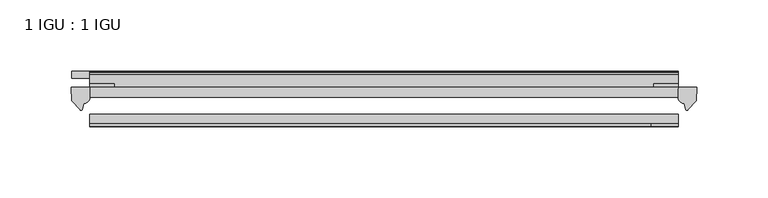
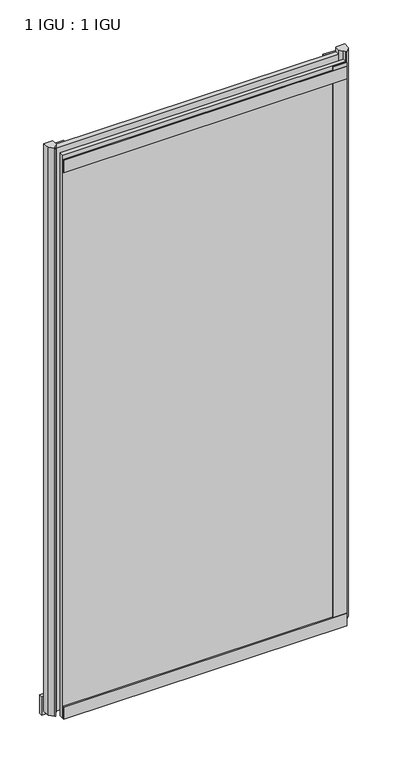
"""IFC4 building model written with IfcOpenShell, lengths in millimetres: plate geometry, 1 IGU : 1 IGU."""

import ifcopenshell
import ifcopenshell.guid

model = None  # the IFC model being written
_history = None  # IfcOwnerHistory: only IFC2X3 demands one
_inside = {}  # id of a spatial element -> (the spatial element, [elements in it])
_under = {}  # id of a project, library or spatial element -> (it, [spatial elements below it])
_declared = {}  # id of a project -> (the project, [libraries it declares])
_typed = {}  # id of a type object -> (the type object, [elements of that type])
_made_of = {}  # id of a material, layer set ... -> (it, [elements and type objects made of it])


def new_model(schema):
    """Start an empty IFC model of exactly this schema.

    Asked for "IFC4X3", IfcOpenShell would pick the latest addendum, in which some entities
    have other attributes; the version numbers below select the first issue.
    IFC2X3 requires an IfcOwnerHistory on every rooted entity: one is made here for all.
    """
    global model, _history
    if schema == "IFC4X3":
        model = ifcopenshell.file(schema_version=(4, 3, 0, 0))
    else:
        model = ifcopenshell.file(schema=schema)
    _inside.clear()
    _under.clear()
    _declared.clear()
    _typed.clear()
    _made_of.clear()
    _history = None
    if model.schema == "IFC2X3":
        org = make("IfcOrganization", Name="unknown")
        user = make(
            "IfcPersonAndOrganization",
            ThePerson=make("IfcPerson", FamilyName="unknown"),
            TheOrganization=org,
        )
        app = make(
            "IfcApplication",
            ApplicationDeveloper=org,
            Version="unknown",
            ApplicationFullName="unknown",
            ApplicationIdentifier="unknown",
        )
        _history = make(
            "IfcOwnerHistory",
            OwningUser=user,
            OwningApplication=app,
            ChangeAction="ADDED",
            CreationDate=0,
        )
    return model


def make(cls, **values):
    """One entity of the class cls with the attributes given. An attribute that is None is left unset."""
    return model.create_entity(
        cls, **{name: value for name, value in values.items() if value is not None}
    )


def rooted(cls, **values):
    """An entity with a GlobalId (a new one), such as an element, a storey or a relation."""
    return make(cls, GlobalId=ifcopenshell.guid.new(), OwnerHistory=_history, **values)


def si_unit(unit_type, name, prefix=None):
    """IfcSIUnit, for example si_unit("LENGTHUNIT", "METRE", prefix="MILLI")."""
    return make("IfcSIUnit", UnitType=unit_type, Prefix=prefix, Name=name)


def assignment(units):
    """IfcUnitAssignment: the units of a project."""
    return None if units is None else make("IfcUnitAssignment", Units=units)


def point(xyz):
    """IfcCartesianPoint."""
    return None if xyz is None else make("IfcCartesianPoint", Coordinates=xyz)


def direction(xyz):
    """IfcDirection."""
    return None if xyz is None else make("IfcDirection", DirectionRatios=xyz)


def frame(location, z_axis=None, x_axis=None):
    """IfcAxis2Placement3D, a coordinate frame: its origin and axes. An axis left out is left unset."""
    return make(
        "IfcAxis2Placement3D",
        Location=point(location),
        Axis=direction(z_axis),
        RefDirection=direction(x_axis),
    )


def frame_2d(location, x_axis=None):
    """IfcAxis2Placement2D, a coordinate frame in the plane: its origin and x axis."""
    return make(
        "IfcAxis2Placement2D", Location=point(location), RefDirection=direction(x_axis)
    )


def origin():
    """The frame at (0, 0, 0) with its axes left unset."""
    return frame((0.0, 0.0, 0.0))


def place(relative_to, where):
    """IfcLocalPlacement: puts the frame where relative to a parent placement (None: the world)."""
    return make(
        "IfcLocalPlacement", PlacementRelTo=relative_to, RelativePlacement=where
    )


def context(
    kind, dimensions, precision=None, world=None, true_north=None, identifier=None
):
    """IfcGeometricRepresentationContext, for example the 3D "Model" context."""
    return make(
        "IfcGeometricRepresentationContext",
        ContextIdentifier=identifier,
        ContextType=kind,
        CoordinateSpaceDimension=dimensions,
        Precision=precision,
        WorldCoordinateSystem=world,
        TrueNorth=true_north,
    )


def project(units=None, contexts=None):
    """IfcProject with its units and contexts."""
    return rooted(
        "IfcProject",
        Name="project",
        RepresentationContexts=contexts,
        UnitsInContext=assignment(units),
    )


def spatial(cls, under=None, at=None, **own):
    """A site, building, storey or space (cls), placed at a placement, below another one or the project."""
    s = rooted(cls, ObjectPlacement=at, **own)
    if under is not None:
        _under.setdefault(under.id(), (under, []))[1].append(s)
    return s


def polyline(points):
    """IfcPolyline through the points."""
    return make("IfcPolyline", Points=[point(p) for p in points])


def circle_curve(where, radius):
    """IfcCircle in the frame where."""
    return make("IfcCircle", Position=where, Radius=radius)


def trimmed(basis, trim1, trim2, sense, master):
    """IfcTrimmedCurve: the piece of a basis curve between two trims."""
    return make(
        "IfcTrimmedCurve",
        BasisCurve=basis,
        Trim1=trim1,
        Trim2=trim2,
        SenseAgreement=sense,
        MasterRepresentation=master,
    )


def segment(curve, same_sense, transition):
    """IfcCompositeCurveSegment."""
    return make(
        "IfcCompositeCurveSegment",
        Transition=transition,
        SameSense=same_sense,
        ParentCurve=curve,
    )


def composite_curve(segments, self_intersect=None):
    """IfcCompositeCurve: segments joined end to end."""
    return make("IfcCompositeCurve", Segments=segments, SelfIntersect=self_intersect)


def outline(outer, holes=None, kind="AREA"):
    """IfcArbitraryClosedProfileDef: a profile drawn as a closed curve; with holes, ...WithVoids."""
    if holes is None:
        return make("IfcArbitraryClosedProfileDef", ProfileType=kind, OuterCurve=outer)
    return make(
        "IfcArbitraryProfileDefWithVoids",
        ProfileType=kind,
        OuterCurve=outer,
        InnerCurves=holes,
    )


def extrude(swept, where, along, depth):
    """IfcExtrudedAreaSolid: the profile swept, set in the frame where, extruded along a direction by depth."""
    return make(
        "IfcExtrudedAreaSolid",
        SweptArea=swept,
        Position=where,
        ExtrudedDirection=direction(along),
        Depth=depth,
    )


def shape(context_of_items, identifier, shape_type, items):
    """IfcShapeRepresentation: the items that make up one representation, for example the "Body"."""
    return make(
        "IfcShapeRepresentation",
        ContextOfItems=context_of_items,
        RepresentationIdentifier=identifier,
        RepresentationType=shape_type,
        Items=items,
    )


def source(mapping_origin, context_of_items, identifier, shape_type, items):
    """IfcRepresentationMap: a shape defined once, which mapped items show again and again."""
    return make(
        "IfcRepresentationMap",
        MappingOrigin=mapping_origin,
        MappedRepresentation=shape(context_of_items, identifier, shape_type, items),
    )


def transform(
    local_origin,
    x_axis=None,
    y_axis=None,
    z_axis=None,
    scale=None,
    scale2=None,
    scale3=None,
    uniform=True,
):
    """IfcCartesianTransformationOperator3D, or its non-uniform kind. x_axis, y_axis, z_axis: its Axis1, 2, 3."""
    if uniform:
        return make(
            "IfcCartesianTransformationOperator3D",
            Axis1=direction(x_axis),
            Axis2=direction(y_axis),
            LocalOrigin=point(local_origin),
            Scale=scale,
            Axis3=direction(z_axis),
        )
    return make(
        "IfcCartesianTransformationOperator3DnonUniform",
        Axis1=direction(x_axis),
        Axis2=direction(y_axis),
        LocalOrigin=point(local_origin),
        Scale=scale,
        Axis3=direction(z_axis),
        Scale2=scale2,
        Scale3=scale3,
    )


def mapped(mapping_source, mapping_target):
    """IfcMappedItem: shows the shape of a source again, moved by a transform."""
    return make(
        "IfcMappedItem", MappingSource=mapping_source, MappingTarget=mapping_target
    )


def made_of(thing, what):
    """Note that an element or type object is made of a material, layer set ...; save() writes the relation."""
    if what is not None:
        _made_of.setdefault(what.id(), (what, []))[1].append(thing)
    return thing


def element(
    cls,
    number,
    at=None,
    inside=None,
    cuts=None,
    type_object=None,
    material=None,
    context=None,
    identifier="Body",
    shape_type=None,
    held_by="IfcProductDefinitionShape",
    body=None,
    shapes=None,
    **own,
):
    """One element of the class cls, such as IfcWall. Its Tag is "e" and its number.

    at: its placement. inside: the storey or other place that contains it. cuts: it is an
    opening in that element (IfcRelVoidsElement). A single representation is given by context,
    identifier, shape_type and body (its items); several are given by shapes. held_by: the class
    of the entity that holds the representations. save() writes the other relations.
    """
    e = rooted(cls, Tag="e%d" % number, ObjectPlacement=at, **own)
    if body is not None:
        shapes = [shape(context, identifier, shape_type, body)]
    if shapes is not None:
        e.Representation = make(held_by, Representations=shapes)
    if inside is not None:
        _inside.setdefault(inside.id(), (inside, []))[1].append(e)
    if cuts is not None:
        rooted(
            "IfcRelVoidsElement", RelatingBuildingElement=cuts, RelatedOpeningElement=e
        )
    if type_object is not None:
        _typed.setdefault(type_object.id(), (type_object, []))[1].append(e)
    return made_of(e, material)


def aggregate(whole, parts):
    """IfcRelAggregates: a whole, such as a stair, and the parts it consists of."""
    return rooted("IfcRelAggregates", RelatingObject=whole, RelatedObjects=parts)


def save(model, path):
    """Write the relations noted so far, then the file.

    IfcRelAggregates (storeys below a building ...), IfcRelContainedInSpatialStructure (elements
    in a storey), IfcRelDefinesByType, IfcRelAssociatesMaterial and IfcRelDeclares: one each for
    every whole, place, type object, material and project.
    """
    for whole, parts in _under.values():
        aggregate(whole, parts)
    for where, things in _inside.values():
        rooted(
            "IfcRelContainedInSpatialStructure",
            RelatedElements=things,
            RelatingStructure=where,
        )
    for kind, things in _typed.values():
        rooted("IfcRelDefinesByType", RelatedObjects=things, RelatingType=kind)
    for what, things in _made_of.values():
        rooted("IfcRelAssociatesMaterial", RelatedObjects=things, RelatingMaterial=what)
    for by, libraries in _declared.values():
        rooted("IfcRelDeclares", RelatingContext=by, RelatedDefinitions=libraries)
    model.write(path)


def plate_1_igu_1_igu_e34cd5f6(model_context):
    return source(origin(), model_context, "Body", "SweptSolid", [
        extrude(outline(polyline([(307.959125, -11.6085937), (307.959125, -18.8576359), (-105.7513125, -18.8576359), (-105.7513125, -11.6085937), (307.959125, -11.6085937)])), frame((0.0, 0.0, -19.05), z_axis=(0.0, 0.0, 1.0), x_axis=(1.0, 0.0, 0.0)), (0.0, 0.0, 1.0), 869.9499998),
        extrude(outline(polyline([(-105.7513125, -30.7093937), (307.959125, -30.7093937), (307.959125, -37.0085937), (-105.7513125, -37.0085937), (-105.7513125, -30.7093937)])), frame((0.0, 0.0, -19.05), z_axis=(0.0, 0.0, 1.0), x_axis=(1.0, 0.0, 0.0)), (0.0, 0.0, 1.0), 869.9499998),
        extrude(outline(polyline([(-86.7013125, -5.3578125), (-118.4513125, -5.3578125), (-118.4513125, -0.4960938), (-86.7013125, -0.4960938), (-86.7013125, -5.3578125)])), frame((0.0, 0.0, -28.575), z_axis=(0.0, 0.0, 1.0), x_axis=(1.0, 0.0, 0.0)), (0.0, 0.0, 1.0), 28.575),
        extrude(outline(composite_curve([segment(polyline([(321.0370341, -11.6101465), (320.659125, -21.3502133), (314.7210717, -27.6095865)]), True, "CONTINUOUS"), segment(trimmed(circle_curve(frame_2d((314.0482657, -27.2518492)), 0.762), [point((314.7210717, -27.6095865))], [point((313.3195614, -27.4746364))], False, "CARTESIAN"), True, "CONTINUOUS"), segment(polyline([(313.3195614, -27.4746364), (312.0577269, -23.3488397)]), True, "CONTINUOUS"), segment(trimmed(circle_curve(frame_2d((314.239684, -16.3834724)), 7.2991286), [point((312.0577269, -23.3488397))], [point((307.9593036, -20.1028944))], False, "CARTESIAN"), True, "CONTINUOUS"), segment(polyline([(307.9593036, -20.1028944), (307.9593036, -12.664425)]), True, "CONTINUOUS"), segment(trimmed(circle_curve(frame_2d((314.2405581, -16.3827796)), 7.2993369), [point((307.9593036, -12.664425))], [point((308.71767, -11.6101465))], False, "CARTESIAN"), True, "CONTINUOUS"), segment(polyline([(308.71767, -11.6101465), (321.0370341, -11.6101465)]), True, "CONTINUOUS")], self_intersect=False)), frame((0.0, 0.0, -19.05), z_axis=(0.0, 0.0, 1.0), x_axis=(1.0, 0.0, 0.0)), (0.0, 0.0, 1.0), 877.0873998),
        extrude(outline(composite_curve([segment(polyline([(-105.7513125, -11.610702), (-105.7513125, -20.1014769)]), True, "CONTINUOUS"), segment(trimmed(circle_curve(frame_2d((-112.0325068, -16.3829847)), 7.2993552), [point((-105.7513125, -20.1014769))], [point((-109.8502623, -23.3484994))], False, "CARTESIAN"), True, "CONTINUOUS"), segment(polyline([(-109.8502623, -23.3484994), (-111.1117489, -27.4746364)]), True, "CONTINUOUS"), segment(trimmed(circle_curve(frame_2d((-111.8404532, -27.2518492)), 0.762), [point((-111.1117489, -27.4746364))], [point((-112.5132592, -27.6095865))], False, "CARTESIAN"), True, "CONTINUOUS"), segment(polyline([(-112.5132592, -27.6095865), (-118.4513125, -21.3502133), (-118.8292216, -11.610702), (-105.7513125, -11.610702)]), True, "CONTINUOUS")], self_intersect=False)), frame((0.0, 0.0, -19.05), z_axis=(0.0, 0.0, 1.0), x_axis=(1.0, 0.0, 0.0)), (0.0, 0.0, 1.0), 877.0873998),
        extrude(outline(polyline([(-105.7513125, -39.2945937), (-105.7513125, -37.0085937), (307.959125, -37.0085937), (307.959125, -39.2945937), (-105.7513125, -39.2945937)])), frame((0.0, 0.0, -19.05), z_axis=(0.0, 0.0, 1.0), x_axis=(1.0, 0.0, 0.0)), (0.0, 0.0, 1.0), 19.05),
        extrude(outline(composite_curve([segment(trimmed(circle_curve(frame_2d((-2.5575611, 32.8538976)), 31.3272753), [point((-11.6085937, 2.8626158))], [point((-2.2024699, 1.5286348))], True, "CARTESIAN"), True, "CONTINUOUS"), segment(polyline([(-2.2024699, 1.5286348), (-2.2024699, 0.0), (-5.2585937, 0.0), (-5.2585937, -5.2345509), (-3.3544944, -5.5797863), (-5.2585937, -8.255), (-5.2585937, -11.471876)]), True, "CONTINUOUS"), segment(trimmed(circle_curve(frame_2d((-6.5285937, -11.471876)), 1.27), [point((-5.2585937, -11.471876))], [point((-7.4547667, -12.340843))], False, "CARTESIAN"), True, "CONTINUOUS"), segment(polyline([(-7.4547667, -12.340843), (-11.6085937, -7.9135609), (-11.6085937, 2.8626158)]), True, "CONTINUOUS")], self_intersect=False)), frame((-105.7513125, 0.0, 0.0), z_axis=(1.0, 0.0, 0.0), x_axis=(0.0, 1.0, 0.0)), (0.0, 0.0, 1.0), 413.7104375),
        extrude(outline(composite_curve([segment(polyline([(-3.0995937, 840.8194211), (-3.0995937, 838.7874211), (-5.2585937, 838.7874211), (-5.2585937, 833.4534211), (-1.5755937, 833.4534211), (-1.5755937, 830.4054211), (-5.2585937, 830.4054211), (-5.2585937, 825.5794211), (-0.5298657, 826.2440005), (-0.4061408, 825.3636522)]), True, "CONTINUOUS"), segment(trimmed(circle_curve(frame_2d((-1.4122531, 825.2222523)), 1.016), [point((-0.4061408, 825.3636522))], [point((-1.2708533, 824.21614))], False, "CARTESIAN"), True, "CONTINUOUS"), segment(polyline([(-1.2708533, 824.21614), (-11.6085937, 822.7632653), (-11.6085937, 840.8194211), (-3.0995937, 840.8194211)]), True, "CONTINUOUS")], self_intersect=False)), frame((-105.7513125, 0.0, 0.0), z_axis=(1.0, 0.0, 0.0), x_axis=(0.0, 1.0, 0.0)), (0.0, 0.0, 1.0), 413.7104375),
        extrude(outline(polyline([(-105.7513125, -39.2945937), (-105.7513125, -37.0085937), (307.959125, -37.0085937), (307.959125, -39.2945937), (-105.7513125, -39.2945937)])), frame((0.0, 0.0, 825.4999998), z_axis=(0.0, 0.0, 1.0), x_axis=(1.0, 0.0, 0.0)), (0.0, 0.0, 1.0), 19.05),
        extrude(outline(polyline([(288.909125, -37.0085937), (307.959125, -37.0085937), (307.959125, -39.2945938), (288.909125, -39.2945938), (288.909125, -37.0085937)])), frame((0.0, 0.0, -19.05), z_axis=(0.0, 0.0, 1.0), x_axis=(1.0, 0.0, 0.0)), (0.0, 0.0, 1.0), 869.9499998),
        extrude(outline(polyline([(307.959125, -9.3247196), (307.959125, -11.6085937), (290.877625, -11.6085937), (290.877625, -9.3247196), (307.959125, -9.3247196)])), frame((0.0, 0.0, -19.05), z_axis=(0.0, 0.0, 1.0), x_axis=(1.0, 0.0, 0.0)), (0.0, 0.0, 1.0), 869.9499998),
        extrude(outline(polyline([(-105.7513125, -11.6107196), (-105.7513125, -9.2273438), (-88.6698125, -9.2273438), (-88.6698125, -11.6107196), (-105.7513125, -11.6107196)])), frame((0.0, 0.0, -19.05), z_axis=(0.0, 0.0, 1.0), x_axis=(1.0, 0.0, 0.0)), (0.0, 0.0, 1.0), 869.9499998),
    ])


if __name__ == "__main__":
    model = new_model("IFC4")
    model_context = context("Model", 3, world=origin())
    ifc_project = project(units=[si_unit("LENGTHUNIT", "METRE", prefix="MILLI")], contexts=[model_context])
    site = spatial("IfcSite", under=ifc_project)
    building = spatial("IfcBuilding", under=site)
    placement = place(None, origin())
    plate_1_igu_1_igu_shape = plate_1_igu_1_igu_e34cd5f6(model_context)
    element("IfcPlate", 1, ObjectType="1 IGU : 1 IGU", at=placement, inside=building, context=model_context, shape_type="MappedRepresentation", body=[
        mapped(plate_1_igu_1_igu_shape, transform((0.0, 0.0, 0.0), x_axis=(1.0, 0.0, 0.0), y_axis=(0.0, 1.0, 0.0), z_axis=(0.0, 0.0, 1.0))),
    ])
    save(model, "model.ifc")
